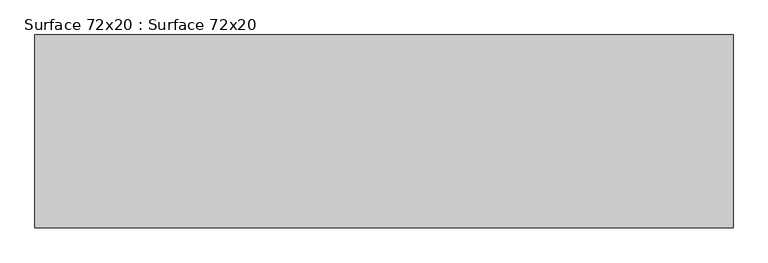
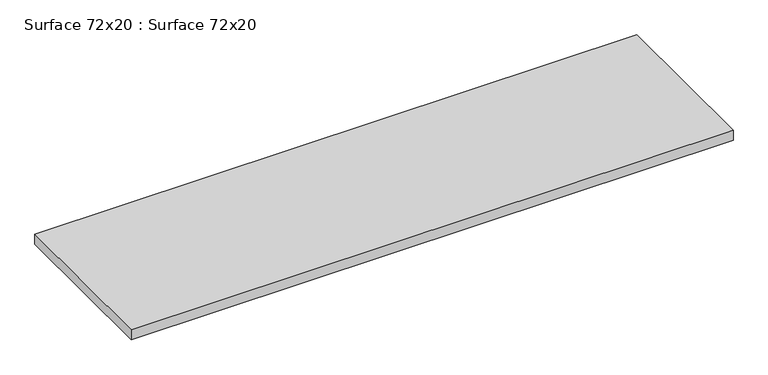
"""IFC4 building model written with IfcOpenShell, lengths in millimetres: furniture geometry, Surface 72x20 : Surface 72x20."""

from ifc_helpers import new_model, si_unit, frame, origin, place, context, project, spatial, polyline, outline, extrude, source, transform, mapped, element, save


def surface_72x20_surface_72x20_4b53e356(model_context):
    return source(origin(), model_context, "Body", "SweptSolid", [
        extrude(outline(polyline([(1700.1623588, 1141.8015903), (1700.1623588, 636.9765903), (-125.4626412, 636.9765903), (-125.4626412, 1141.8015903), (1700.1623588, 1141.8015903)])), frame((0.0, 0.0, 704.85), z_axis=(0.0, 0.0, 1.0), x_axis=(1.0, 0.0, 0.0)), (0.0, 0.0, 1.0), 31.75),
    ])


if __name__ == "__main__":
    model = new_model("IFC4")
    model_context = context("Model", 3, world=origin())
    ifc_project = project(units=[si_unit("LENGTHUNIT", "METRE", prefix="MILLI")], contexts=[model_context])
    site = spatial("IfcSite", under=ifc_project)
    building = spatial("IfcBuilding", under=site)
    placement = place(None, origin())
    surface_72x20_surface_72x20_shape = surface_72x20_surface_72x20_4b53e356(model_context)
    element("IfcFurniture", 1, ObjectType="Surface 72x20 : Surface 72x20", at=placement, inside=building, context=model_context, shape_type="MappedRepresentation", body=[
        mapped(surface_72x20_surface_72x20_shape, transform((0.0, 0.0, 0.0), x_axis=(1.0, 0.0, 0.0), y_axis=(0.0, 1.0, 0.0), z_axis=(0.0, 0.0, 1.0))),
    ])
    save(model, "model.ifc")
